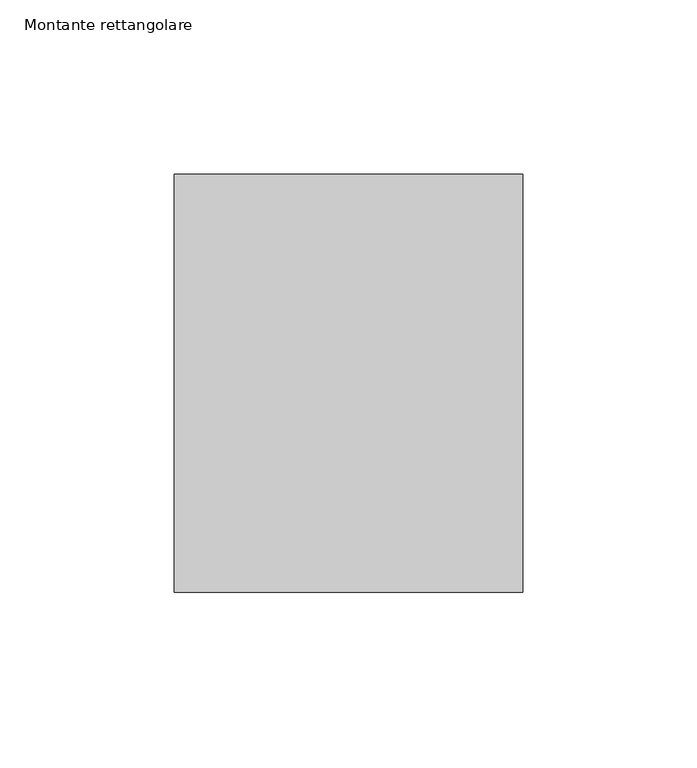
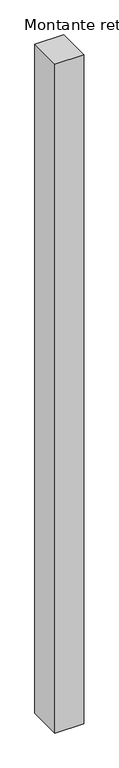
"""IFC4 building model written with IfcOpenShell, lengths in millimetres: member geometry, Montante rettangolare."""

from ifc_helpers import new_model, si_unit, frame, origin, place, context, project, spatial, polyline, outline, extrude, source, transform, mapped, element, save


def montante_rettangolare_3c3eb1c9(model_context):
    return source(origin(), model_context, "Body", "SweptSolid", [
        extrude(outline(polyline([(0.0, 60.0), (0.0, -60.0), (-100.0, -60.0), (-100.0, 60.0), (0.0, 60.0)])), frame((0.0, 0.0, -2450.0), z_axis=(0.0, 0.0, 1.0), x_axis=(1.0, 0.0, 0.0)), (0.0, 0.0, 1.0), 2450.0),
    ])


if __name__ == "__main__":
    model = new_model("IFC4")
    model_context = context("Model", 3, world=origin())
    ifc_project = project(units=[si_unit("LENGTHUNIT", "METRE", prefix="MILLI")], contexts=[model_context])
    site = spatial("IfcSite", under=ifc_project)
    building = spatial("IfcBuilding", under=site)
    placement = place(None, origin())
    montante_rettangolare_shape = montante_rettangolare_3c3eb1c9(model_context)
    element("IfcMember", 1, ObjectType="Montante rettangolare", at=placement, inside=building, context=model_context, shape_type="MappedRepresentation", body=[
        mapped(montante_rettangolare_shape, transform((0.0, 0.0, 0.0), x_axis=(1.0, 0.0, 0.0), y_axis=(0.0, 1.0, 0.0), z_axis=(0.0, 0.0, 1.0))),
    ])
    save(model, "model.ifc")
